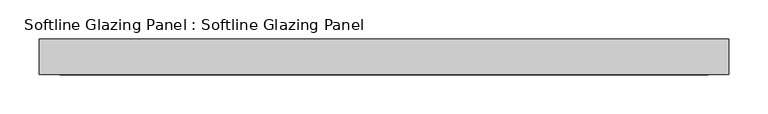
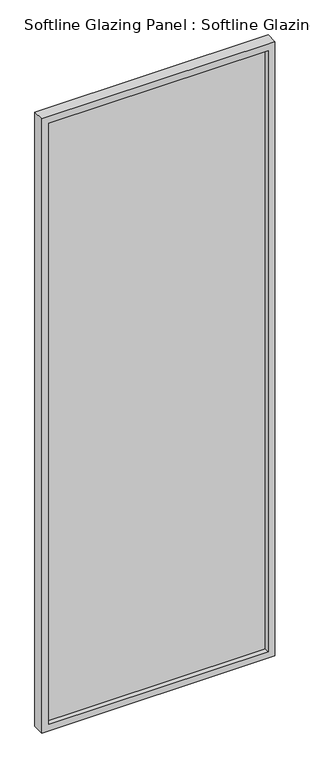
"""IFC4 building model written with IfcOpenShell, lengths in millimetres: plate geometry, Softline Glazing Panel : Softline Glazing Panel."""

from ifc_helpers import new_model, si_unit, frame, origin, place, context, project, spatial, polyline, outline, extrude, faceted_brep, source, transform, mapped, element, save


def softline_glazing_panel_softline_glazing_panel_af516d18(model_context):
    return source(origin(), model_context, "Body", "SolidModel", [
        extrude(outline(polyline([(422.0, 4.0), (422.0, -4.0), (-422.0, -4.0), (-422.0, 4.0), (422.0, 4.0)])), frame((0.0, 0.0, 16.0), z_axis=(0.0, 0.0, 1.0), x_axis=(1.0, 0.0, 0.0)), (0.0, 0.0, 1.0), 2408.0),
        faceted_brep([(412.0, 4.0, 26.0), (412.0, 22.5, 26.0), (-412.0, 22.5, 26.0), (-412.0, 4.0, 26.0), (422.0, -4.0, 16.0), (422.0, 4.0, 16.0), (-422.0, 4.0, 16.0), (-422.0, -4.0, 16.0), (412.0, -22.5, 26.0), (412.0, -4.0, 26.0), (-412.0, -4.0, 26.0), (-412.0, -22.5, 26.0), (438.0, 22.5, 0.0), (438.0, -22.5, 0.0), (-438.0, -22.5, 0.0), (-438.0, 22.5, 0.0), (-412.0, 22.5, 2414.0), (-412.0, 4.0, 2414.0), (-422.0, 4.0, 2424.0), (-422.0, -4.0, 2424.0), (-412.0, -4.0, 2414.0), (-412.0, -22.5, 2414.0), (-438.0, -22.5, 2440.0), (-438.0, 22.5, 2440.0), (412.0, 22.5, 2414.0), (412.0, 4.0, 2414.0), (422.0, 4.0, 2424.0), (422.0, -4.0, 2424.0), (412.0, -4.0, 2414.0), (412.0, -22.5, 2414.0), (438.0, -22.5, 2440.0), (438.0, 22.5, 2440.0)], [[[0, 1, 2, 3]], [[4, 5, 6, 7]], [[8, 9, 10, 11]], [[12, 13, 14, 15]], [[3, 2, 16, 17]], [[7, 6, 18, 19]], [[11, 10, 20, 21]], [[15, 14, 22, 23]], [[17, 16, 24, 25]], [[19, 18, 26, 27]], [[21, 20, 28, 29]], [[23, 22, 30, 31]], [[15, 23, 31, 12], [1, 24, 16, 2]], [[25, 24, 1, 0]], [[5, 26, 18, 6], [3, 17, 25, 0]], [[27, 26, 5, 4]], [[7, 19, 27, 4], [9, 28, 20, 10]], [[29, 28, 9, 8]], [[13, 30, 22, 14], [11, 21, 29, 8]], [[31, 30, 13, 12]]]),
    ])


if __name__ == "__main__":
    model = new_model("IFC4")
    model_context = context("Model", 3, world=origin())
    ifc_project = project(units=[si_unit("LENGTHUNIT", "METRE", prefix="MILLI")], contexts=[model_context])
    site = spatial("IfcSite", under=ifc_project)
    building = spatial("IfcBuilding", under=site)
    placement = place(None, origin())
    softline_glazing_panel_softline_glazing_panel_shape = softline_glazing_panel_softline_glazing_panel_af516d18(model_context)
    element("IfcPlate", 1, ObjectType="Softline Glazing Panel : Softline Glazing Panel", at=placement, inside=building, context=model_context, shape_type="MappedRepresentation", body=[
        mapped(softline_glazing_panel_softline_glazing_panel_shape, transform((0.0, 0.0, 0.0), x_axis=(1.0, 0.0, 0.0), y_axis=(0.0, 1.0, 0.0), z_axis=(0.0, 0.0, 1.0))),
    ])
    save(model, "model.ifc")
